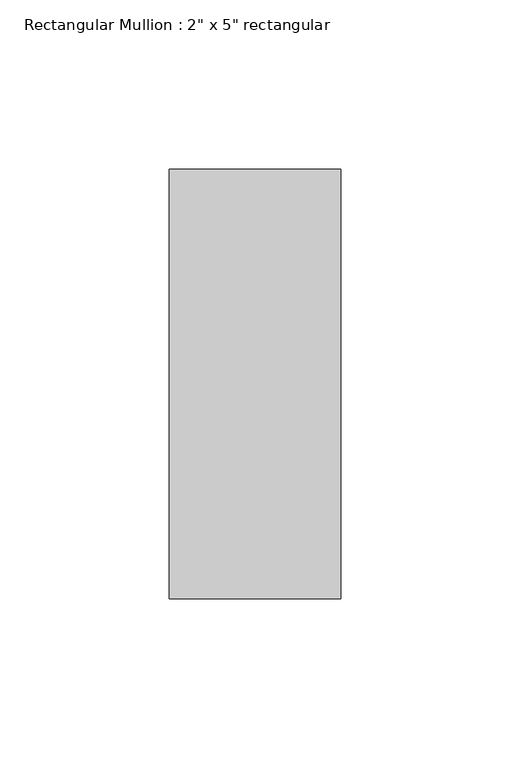
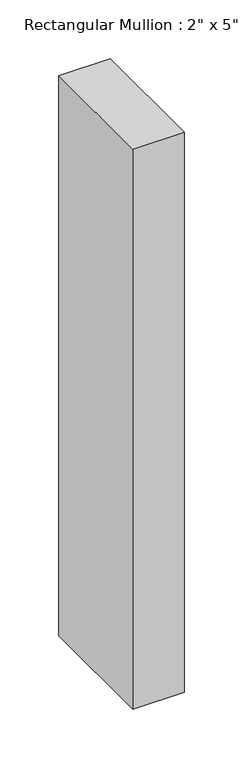
"""IFC4 building model written with IfcOpenShell, lengths in millimetres: member geometry."""

from ifc_helpers import new_model, si_unit, frame, origin, place, context, project, spatial, polyline, outline, extrude, source, transform, mapped, element, save


def member_342bf5cf(model_context):
    return source(origin(), model_context, "Body", "SweptSolid", [
        extrude(outline(polyline([(0.0, 63.5), (0.0, -63.5), (-50.8, -63.5), (-50.8, 63.5), (0.0, 63.5)])), frame((0.0, 0.0, -584.2), z_axis=(0.0, 0.0, 1.0), x_axis=(1.0, 0.0, 0.0)), (0.0, 0.0, 1.0), 584.2),
    ])


if __name__ == "__main__":
    model = new_model("IFC4")
    model_context = context("Model", 3, world=origin())
    ifc_project = project(units=[si_unit("LENGTHUNIT", "METRE", prefix="MILLI")], contexts=[model_context])
    site = spatial("IfcSite", under=ifc_project)
    building = spatial("IfcBuilding", under=site)
    placement = place(None, origin())
    member_shape = member_342bf5cf(model_context)
    element("IfcMember", 1, ObjectType="Rectangular Mullion : 2\" x 5\" rectangular", at=placement, inside=building, context=model_context, shape_type="MappedRepresentation", body=[
        mapped(member_shape, transform((0.0, 0.0, 0.0), x_axis=(1.0, 0.0, 0.0), y_axis=(0.0, 1.0, 0.0), z_axis=(0.0, 0.0, 1.0))),
    ])
    save(model, "model.ifc")
